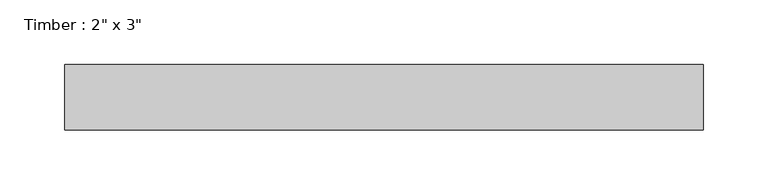
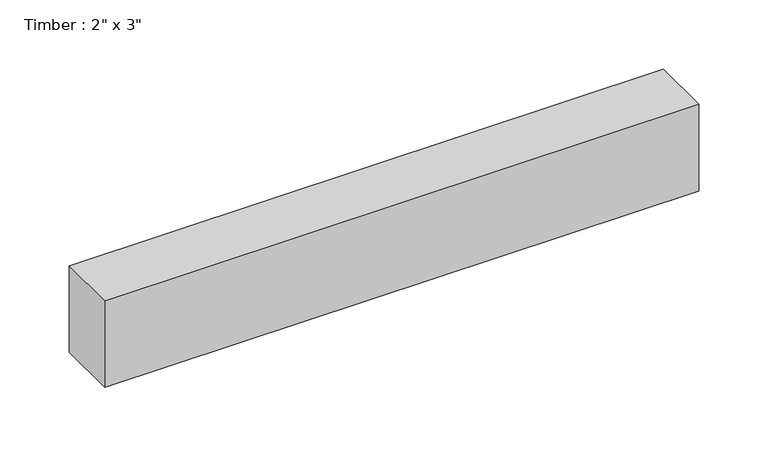
"""IFC4 building model written with IfcOpenShell, lengths in millimetres: beam geometry."""

from ifc_helpers import new_model, si_unit, frame, origin, place, context, project, spatial, polyline, outline, extrude, source, transform, mapped, element, save


def beam_8e8ce2d7(model_context):
    return source(origin(), model_context, "Body", "SweptSolid", [
        extrude(outline(polyline([(246.9055507, 25.4), (246.9055507, -25.4), (-246.9055507, -25.4), (-246.9055507, 25.4), (246.9055507, 25.4)])), frame((0.0, 0.0, -38.1), z_axis=(0.0, 0.0, 1.0), x_axis=(1.0, 0.0, 0.0)), (0.0, 0.0, 1.0), 76.2),
    ])


if __name__ == "__main__":
    model = new_model("IFC4")
    model_context = context("Model", 3, world=origin())
    ifc_project = project(units=[si_unit("LENGTHUNIT", "METRE", prefix="MILLI")], contexts=[model_context])
    site = spatial("IfcSite", under=ifc_project)
    building = spatial("IfcBuilding", under=site)
    placement = place(None, origin())
    beam_shape = beam_8e8ce2d7(model_context)
    element("IfcBeam", 1, ObjectType="Timber : 2\" x 3\"", at=placement, inside=building, context=model_context, shape_type="MappedRepresentation", body=[
        mapped(beam_shape, transform((0.0, 0.0, 0.0), x_axis=(1.0, 0.0, 0.0), y_axis=(0.0, 1.0, 0.0), z_axis=(0.0, 0.0, 1.0))),
    ])
    save(model, "model.ifc")
